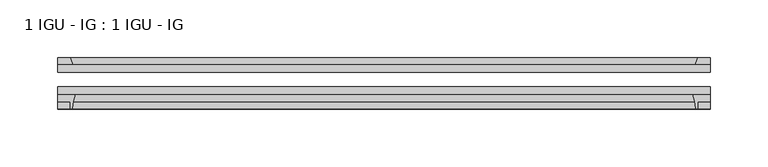
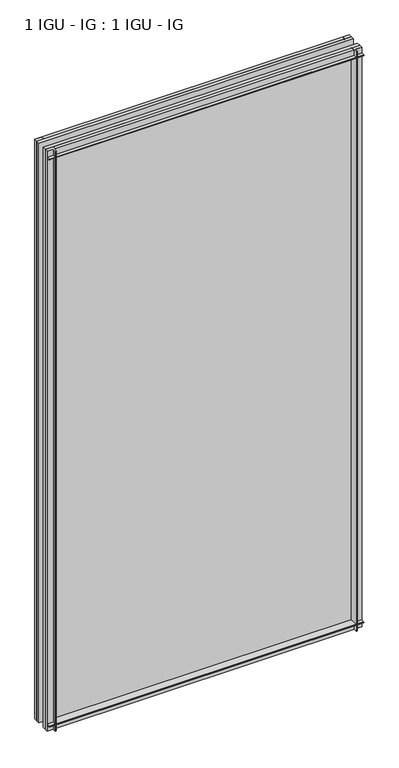
"""IFC4 building model written with IfcOpenShell, lengths in millimetres: plate geometry, 1 IGU - IG : 1 IGU - IG."""

from ifc_helpers import new_model, si_unit, point, frame, frame_2d, origin, place, context, project, spatial, polyline, circle_curve, trimmed, segment, composite_curve, outline, extrude, source, transform, mapped, element, save


def plate_1_igu_ig_1_igu_ig_f85c7a24(model_context):
    return source(origin(), model_context, "Body", "SweptSolid", [
        extrude(outline(polyline([(264.0062375, -31.75), (264.0062375, -38.1), (-302.1062375, -38.1), (-302.1062375, -31.75), (264.0062375, -31.75)])), frame((0.0, 0.0, -11.1125), z_axis=(0.0, 0.0, 1.0), x_axis=(1.0, 0.0, 0.0)), (0.0, 0.0, 1.0), 1101.725),
        extrude(outline(polyline([(-302.1062375, -12.7), (264.0062375, -12.7), (264.0062375, -19.05), (-302.1062375, -19.05), (-302.1062375, -12.7)])), frame((0.0, 0.0, -11.1125), z_axis=(0.0, 0.0, 1.0), x_axis=(1.0, 0.0, 0.0)), (0.0, 0.0, 1.0), 1101.725),
        extrude(outline(composite_curve([segment(polyline([(-302.1062375, -38.1), (-286.8125582, -38.1)]), True, "CONTINUOUS"), segment(trimmed(circle_curve(frame_2d((-243.5535419, -53.3794536)), 45.8781451), [point((-286.8125582, -38.1))], [point((-289.3137947, -50.0925922))], True, "CARTESIAN"), True, "CONTINUOUS"), segment(trimmed(circle_curve(frame_2d((-290.0738366, -50.038)), 0.762), [point((-289.3137947, -50.0925922))], [point((-290.0738366, -50.8))], False, "CARTESIAN"), True, "CONTINUOUS"), segment(polyline([(-290.0738366, -50.8), (-290.9937375, -50.8), (-290.9937375, -44.45), (-302.1062375, -44.45), (-302.1062375, -38.1)]), True, "CONTINUOUS")], self_intersect=False)), frame((0.0, 0.0, -11.1125), z_axis=(0.0, 0.0, 1.0), x_axis=(1.0, 0.0, 0.0)), (0.0, 0.0, 1.0), 1101.725),
        extrude(outline(polyline([(-288.8884604, -12.7), (-302.1062375, -12.7), (-302.1062375, -6.35), (-290.9937375, -6.35), (-288.8884604, -12.7)])), frame((0.0, 0.0, -11.1125), z_axis=(0.0, 0.0, 1.0), x_axis=(1.0, 0.0, 0.0)), (0.0, 0.0, 1.0), 1101.725),
        extrude(outline(polyline([(264.0062375, -12.7), (250.7884604, -12.7), (252.8937375, -6.35), (264.0062375, -6.35), (264.0062375, -12.7)])), frame((0.0, 0.0, -11.1125), z_axis=(0.0, 0.0, 1.0), x_axis=(1.0, 0.0, 0.0)), (0.0, 0.0, 1.0), 1101.725),
        extrude(outline(composite_curve([segment(polyline([(248.7125582, -38.1), (264.0062375, -38.1), (264.0062375, -44.45), (252.8937375, -44.45), (252.8937375, -50.8), (251.9738366, -50.8)]), True, "CONTINUOUS"), segment(trimmed(circle_curve(frame_2d((251.9738366, -50.038)), 0.762), [point((251.9738366, -50.8))], [point((251.2137947, -50.0925922))], False, "CARTESIAN"), True, "CONTINUOUS"), segment(trimmed(circle_curve(frame_2d((205.4535419, -53.3794536)), 45.8781451), [point((251.2137947, -50.0925922))], [point((248.7125582, -38.1))], True, "CARTESIAN"), True, "CONTINUOUS")], self_intersect=False)), frame((0.0, 0.0, -11.1125), z_axis=(0.0, 0.0, 1.0), x_axis=(1.0, 0.0, 0.0)), (0.0, 0.0, 1.0), 1101.725),
        extrude(outline(polyline([(-12.7, -11.1125), (-12.7, 2.1052771), (-6.35, 0.0), (-6.35, -11.1125), (-12.7, -11.1125)])), frame((-302.1062375, 0.0, 0.0), z_axis=(1.0, 0.0, 0.0), x_axis=(0.0, 1.0, 0.0)), (0.0, 0.0, 1.0), 566.1124749),
        extrude(outline(composite_curve([segment(polyline([(-38.1, 4.1811793), (-38.1, -11.1125), (-44.45, -11.1125), (-44.45, 0.0), (-50.8, 0.0), (-50.8, 0.9199009)]), True, "CONTINUOUS"), segment(trimmed(circle_curve(frame_2d((-50.038, 0.9199009)), 0.762), [point((-50.8, 0.9199009))], [point((-50.0925922, 1.6799428))], False, "CARTESIAN"), True, "CONTINUOUS"), segment(trimmed(circle_curve(frame_2d((-53.3794536, 47.4401956)), 45.8781451), [point((-50.0925922, 1.6799428))], [point((-38.1, 4.1811793))], True, "CARTESIAN"), True, "CONTINUOUS")], self_intersect=False)), frame((-302.1062375, 0.0, 0.0), z_axis=(1.0, 0.0, 0.0), x_axis=(0.0, 1.0, 0.0)), (0.0, 0.0, 1.0), 566.1124749),
        extrude(outline(polyline([(-6.35, 1079.5), (-12.7, 1077.3947229), (-12.7, 1090.6125), (-6.35, 1090.6125), (-6.35, 1079.5)])), frame((-302.1062375, 0.0, 0.0), z_axis=(1.0, 0.0, 0.0), x_axis=(0.0, 1.0, 0.0)), (0.0, 0.0, 1.0), 566.1124749),
        extrude(outline(composite_curve([segment(polyline([(-38.1, 1090.6125), (-38.1, 1075.3188207)]), True, "CONTINUOUS"), segment(trimmed(circle_curve(frame_2d((-53.3794536, 1032.0598044)), 45.8781451), [point((-38.1, 1075.3188207))], [point((-50.0925922, 1077.8200572))], True, "CARTESIAN"), True, "CONTINUOUS"), segment(trimmed(circle_curve(frame_2d((-50.038, 1078.5800991)), 0.762), [point((-50.0925922, 1077.8200572))], [point((-50.8, 1078.5800991))], False, "CARTESIAN"), True, "CONTINUOUS"), segment(polyline([(-50.8, 1078.5800991), (-50.8, 1079.5), (-44.45, 1079.5), (-44.45, 1090.6125), (-38.1, 1090.6125)]), True, "CONTINUOUS")], self_intersect=False)), frame((-302.1062375, 0.0, 0.0), z_axis=(1.0, 0.0, 0.0), x_axis=(0.0, 1.0, 0.0)), (0.0, 0.0, 1.0), 566.1124749),
    ])


if __name__ == "__main__":
    model = new_model("IFC4")
    model_context = context("Model", 3, world=origin())
    ifc_project = project(units=[si_unit("LENGTHUNIT", "METRE", prefix="MILLI")], contexts=[model_context])
    site = spatial("IfcSite", under=ifc_project)
    building = spatial("IfcBuilding", under=site)
    placement = place(None, origin())
    plate_1_igu_ig_1_igu_ig_shape = plate_1_igu_ig_1_igu_ig_f85c7a24(model_context)
    element("IfcPlate", 1, ObjectType="1 IGU - IG : 1 IGU - IG", at=placement, inside=building, context=model_context, shape_type="MappedRepresentation", body=[
        mapped(plate_1_igu_ig_1_igu_ig_shape, transform((0.0, 0.0, 0.0), x_axis=(1.0, 0.0, 0.0), y_axis=(0.0, 1.0, 0.0), z_axis=(0.0, 0.0, 1.0))),
    ])
    save(model, "model.ifc")
